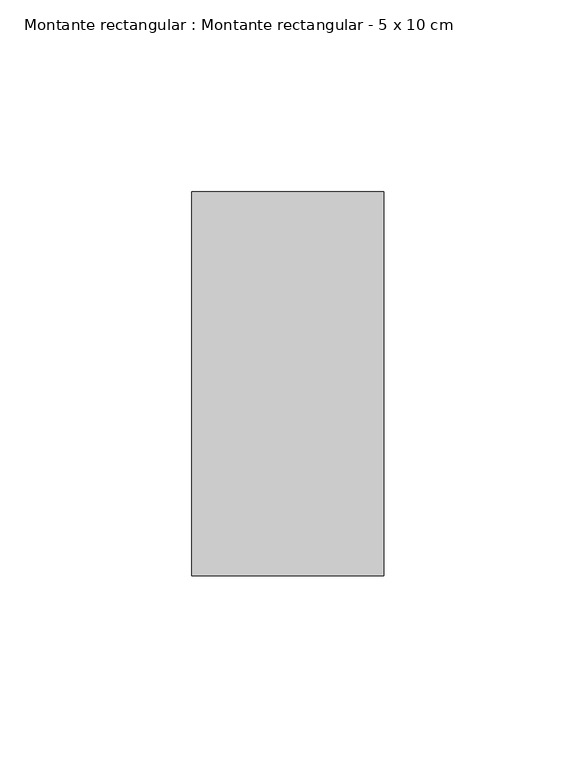
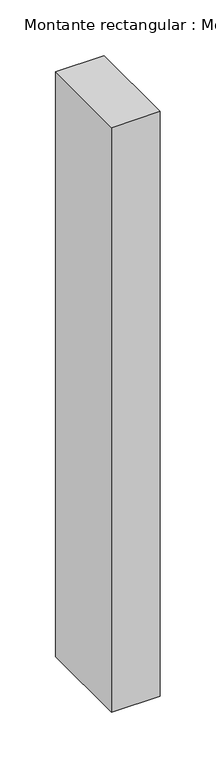
"""IFC4 building model written with IfcOpenShell, lengths in millimetres: member geometry, Montante rectangular : Montante rectangular - 5 x 10 cm."""

import ifcopenshell
import ifcopenshell.guid

model = None  # the IFC model being written
_history = None  # IfcOwnerHistory: only IFC2X3 demands one
_inside = {}  # id of a spatial element -> (the spatial element, [elements in it])
_under = {}  # id of a project, library or spatial element -> (it, [spatial elements below it])
_declared = {}  # id of a project -> (the project, [libraries it declares])
_typed = {}  # id of a type object -> (the type object, [elements of that type])
_made_of = {}  # id of a material, layer set ... -> (it, [elements and type objects made of it])


def new_model(schema):
    """Start an empty IFC model of exactly this schema.

    Asked for "IFC4X3", IfcOpenShell would pick the latest addendum, in which some entities
    have other attributes; the version numbers below select the first issue.
    IFC2X3 requires an IfcOwnerHistory on every rooted entity: one is made here for all.
    """
    global model, _history
    if schema == "IFC4X3":
        model = ifcopenshell.file(schema_version=(4, 3, 0, 0))
    else:
        model = ifcopenshell.file(schema=schema)
    _inside.clear()
    _under.clear()
    _declared.clear()
    _typed.clear()
    _made_of.clear()
    _history = None
    if model.schema == "IFC2X3":
        org = make("IfcOrganization", Name="unknown")
        user = make(
            "IfcPersonAndOrganization",
            ThePerson=make("IfcPerson", FamilyName="unknown"),
            TheOrganization=org,
        )
        app = make(
            "IfcApplication",
            ApplicationDeveloper=org,
            Version="unknown",
            ApplicationFullName="unknown",
            ApplicationIdentifier="unknown",
        )
        _history = make(
            "IfcOwnerHistory",
            OwningUser=user,
            OwningApplication=app,
            ChangeAction="ADDED",
            CreationDate=0,
        )
    return model


def make(cls, **values):
    """One entity of the class cls with the attributes given. An attribute that is None is left unset."""
    return model.create_entity(
        cls, **{name: value for name, value in values.items() if value is not None}
    )


def rooted(cls, **values):
    """An entity with a GlobalId (a new one), such as an element, a storey or a relation."""
    return make(cls, GlobalId=ifcopenshell.guid.new(), OwnerHistory=_history, **values)


def si_unit(unit_type, name, prefix=None):
    """IfcSIUnit, for example si_unit("LENGTHUNIT", "METRE", prefix="MILLI")."""
    return make("IfcSIUnit", UnitType=unit_type, Prefix=prefix, Name=name)


def assignment(units):
    """IfcUnitAssignment: the units of a project."""
    return None if units is None else make("IfcUnitAssignment", Units=units)


def point(xyz):
    """IfcCartesianPoint."""
    return None if xyz is None else make("IfcCartesianPoint", Coordinates=xyz)


def direction(xyz):
    """IfcDirection."""
    return None if xyz is None else make("IfcDirection", DirectionRatios=xyz)


def frame(location, z_axis=None, x_axis=None):
    """IfcAxis2Placement3D, a coordinate frame: its origin and axes. An axis left out is left unset."""
    return make(
        "IfcAxis2Placement3D",
        Location=point(location),
        Axis=direction(z_axis),
        RefDirection=direction(x_axis),
    )


def origin():
    """The frame at (0, 0, 0) with its axes left unset."""
    return frame((0.0, 0.0, 0.0))


def place(relative_to, where):
    """IfcLocalPlacement: puts the frame where relative to a parent placement (None: the world)."""
    return make(
        "IfcLocalPlacement", PlacementRelTo=relative_to, RelativePlacement=where
    )


def context(
    kind, dimensions, precision=None, world=None, true_north=None, identifier=None
):
    """IfcGeometricRepresentationContext, for example the 3D "Model" context."""
    return make(
        "IfcGeometricRepresentationContext",
        ContextIdentifier=identifier,
        ContextType=kind,
        CoordinateSpaceDimension=dimensions,
        Precision=precision,
        WorldCoordinateSystem=world,
        TrueNorth=true_north,
    )


def project(units=None, contexts=None):
    """IfcProject with its units and contexts."""
    return rooted(
        "IfcProject",
        Name="project",
        RepresentationContexts=contexts,
        UnitsInContext=assignment(units),
    )


def spatial(cls, under=None, at=None, **own):
    """A site, building, storey or space (cls), placed at a placement, below another one or the project."""
    s = rooted(cls, ObjectPlacement=at, **own)
    if under is not None:
        _under.setdefault(under.id(), (under, []))[1].append(s)
    return s


def polyline(points):
    """IfcPolyline through the points."""
    return make("IfcPolyline", Points=[point(p) for p in points])


def outline(outer, holes=None, kind="AREA"):
    """IfcArbitraryClosedProfileDef: a profile drawn as a closed curve; with holes, ...WithVoids."""
    if holes is None:
        return make("IfcArbitraryClosedProfileDef", ProfileType=kind, OuterCurve=outer)
    return make(
        "IfcArbitraryProfileDefWithVoids",
        ProfileType=kind,
        OuterCurve=outer,
        InnerCurves=holes,
    )


def extrude(swept, where, along, depth):
    """IfcExtrudedAreaSolid: the profile swept, set in the frame where, extruded along a direction by depth."""
    return make(
        "IfcExtrudedAreaSolid",
        SweptArea=swept,
        Position=where,
        ExtrudedDirection=direction(along),
        Depth=depth,
    )


def shape(context_of_items, identifier, shape_type, items):
    """IfcShapeRepresentation: the items that make up one representation, for example the "Body"."""
    return make(
        "IfcShapeRepresentation",
        ContextOfItems=context_of_items,
        RepresentationIdentifier=identifier,
        RepresentationType=shape_type,
        Items=items,
    )


def source(mapping_origin, context_of_items, identifier, shape_type, items):
    """IfcRepresentationMap: a shape defined once, which mapped items show again and again."""
    return make(
        "IfcRepresentationMap",
        MappingOrigin=mapping_origin,
        MappedRepresentation=shape(context_of_items, identifier, shape_type, items),
    )


def transform(
    local_origin,
    x_axis=None,
    y_axis=None,
    z_axis=None,
    scale=None,
    scale2=None,
    scale3=None,
    uniform=True,
):
    """IfcCartesianTransformationOperator3D, or its non-uniform kind. x_axis, y_axis, z_axis: its Axis1, 2, 3."""
    if uniform:
        return make(
            "IfcCartesianTransformationOperator3D",
            Axis1=direction(x_axis),
            Axis2=direction(y_axis),
            LocalOrigin=point(local_origin),
            Scale=scale,
            Axis3=direction(z_axis),
        )
    return make(
        "IfcCartesianTransformationOperator3DnonUniform",
        Axis1=direction(x_axis),
        Axis2=direction(y_axis),
        LocalOrigin=point(local_origin),
        Scale=scale,
        Axis3=direction(z_axis),
        Scale2=scale2,
        Scale3=scale3,
    )


def mapped(mapping_source, mapping_target):
    """IfcMappedItem: shows the shape of a source again, moved by a transform."""
    return make(
        "IfcMappedItem", MappingSource=mapping_source, MappingTarget=mapping_target
    )


def made_of(thing, what):
    """Note that an element or type object is made of a material, layer set ...; save() writes the relation."""
    if what is not None:
        _made_of.setdefault(what.id(), (what, []))[1].append(thing)
    return thing


def element(
    cls,
    number,
    at=None,
    inside=None,
    cuts=None,
    type_object=None,
    material=None,
    context=None,
    identifier="Body",
    shape_type=None,
    held_by="IfcProductDefinitionShape",
    body=None,
    shapes=None,
    **own,
):
    """One element of the class cls, such as IfcWall. Its Tag is "e" and its number.

    at: its placement. inside: the storey or other place that contains it. cuts: it is an
    opening in that element (IfcRelVoidsElement). A single representation is given by context,
    identifier, shape_type and body (its items); several are given by shapes. held_by: the class
    of the entity that holds the representations. save() writes the other relations.
    """
    e = rooted(cls, Tag="e%d" % number, ObjectPlacement=at, **own)
    if body is not None:
        shapes = [shape(context, identifier, shape_type, body)]
    if shapes is not None:
        e.Representation = make(held_by, Representations=shapes)
    if inside is not None:
        _inside.setdefault(inside.id(), (inside, []))[1].append(e)
    if cuts is not None:
        rooted(
            "IfcRelVoidsElement", RelatingBuildingElement=cuts, RelatedOpeningElement=e
        )
    if type_object is not None:
        _typed.setdefault(type_object.id(), (type_object, []))[1].append(e)
    return made_of(e, material)


def aggregate(whole, parts):
    """IfcRelAggregates: a whole, such as a stair, and the parts it consists of."""
    return rooted("IfcRelAggregates", RelatingObject=whole, RelatedObjects=parts)


def save(model, path):
    """Write the relations noted so far, then the file.

    IfcRelAggregates (storeys below a building ...), IfcRelContainedInSpatialStructure (elements
    in a storey), IfcRelDefinesByType, IfcRelAssociatesMaterial and IfcRelDeclares: one each for
    every whole, place, type object, material and project.
    """
    for whole, parts in _under.values():
        aggregate(whole, parts)
    for where, things in _inside.values():
        rooted(
            "IfcRelContainedInSpatialStructure",
            RelatedElements=things,
            RelatingStructure=where,
        )
    for kind, things in _typed.values():
        rooted("IfcRelDefinesByType", RelatedObjects=things, RelatingType=kind)
    for what, things in _made_of.values():
        rooted("IfcRelAssociatesMaterial", RelatedObjects=things, RelatingMaterial=what)
    for by, libraries in _declared.values():
        rooted("IfcRelDeclares", RelatingContext=by, RelatedDefinitions=libraries)
    model.write(path)


def montante_rectangular_montante_rectangular_5_x_10_cm_73bc7cf0(model_context):
    return source(origin(), model_context, "Body", "SweptSolid", [
        extrude(outline(polyline([(0.0, 50.0), (0.0, -50.0), (-50.0, -50.0), (-50.0, 50.0), (0.0, 50.0)])), frame((0.0, 0.0, -638.0), z_axis=(0.0, 0.0, 1.0), x_axis=(1.0, 0.0, 0.0)), (0.0, 0.0, 1.0), 638.0),
    ])


if __name__ == "__main__":
    model = new_model("IFC4")
    model_context = context("Model", 3, world=origin())
    ifc_project = project(units=[si_unit("LENGTHUNIT", "METRE", prefix="MILLI")], contexts=[model_context])
    site = spatial("IfcSite", under=ifc_project)
    building = spatial("IfcBuilding", under=site)
    placement = place(None, origin())
    montante_rectangular_montante_rectangular_5_x_10_cm_shape = montante_rectangular_montante_rectangular_5_x_10_cm_73bc7cf0(model_context)
    element("IfcMember", 1, ObjectType="Montante rectangular : Montante rectangular - 5 x 10 cm", at=placement, inside=building, context=model_context, shape_type="MappedRepresentation", body=[
        mapped(montante_rectangular_montante_rectangular_5_x_10_cm_shape, transform((0.0, 0.0, 0.0), x_axis=(1.0, 0.0, 0.0), y_axis=(0.0, 1.0, 0.0), z_axis=(0.0, 0.0, 1.0))),
    ])
    save(model, "model.ifc")
